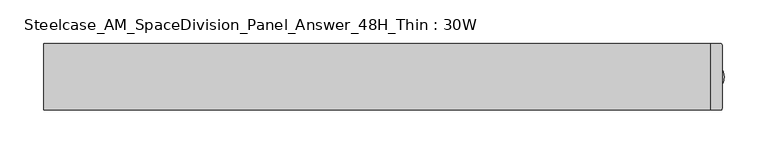
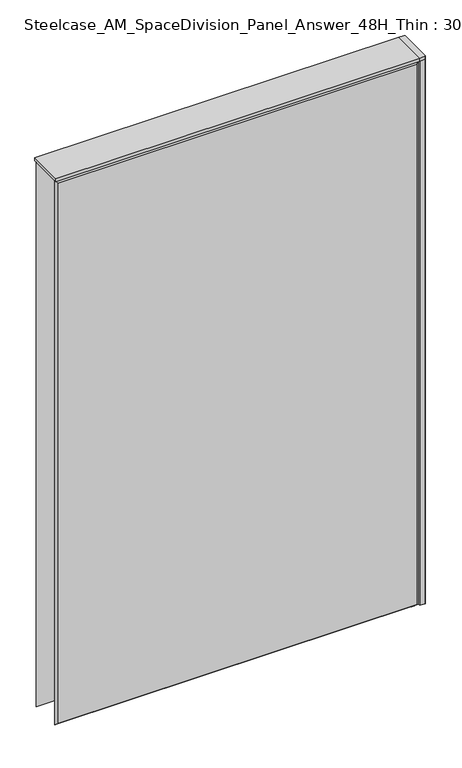
"""IFC4 building model written with IfcOpenShell, lengths in millimetres: furniture geometry, Steelcase_AM_SpaceDivision_Panel_Answer_48H_Thin : 30W."""

from ifc_helpers import new_model, si_unit, point, frame, frame_2d, origin, place, context, project, spatial, polyline, circle_curve, trimmed, segment, composite_curve, outline, extrude, faceted_brep, source, transform, mapped, element, save


def steelcase_am_spacedivision_panel_answer_48h_thin_30w_0fed55f2(model_context):
    return source(origin(), model_context, "Body", "SolidModel", [
        extrude(outline(composite_curve([segment(trimmed(circle_curve(frame_2d((381.0, -1.94e-05)), 5.08), [point((386.08, -1.94e-05))], [point((375.92, -1.94e-05))], False, "CARTESIAN"), True, "CONTINUOUS"), segment(trimmed(circle_curve(frame_2d((381.0, -1.94e-05)), 5.08), [point((375.92, -1.94e-05))], [point((386.08, -1.94e-05))], False, "CARTESIAN"), True, "CONTINUOUS")], self_intersect=False)), frame((0.0, 0.0, 5.0799671), z_axis=(0.0, 0.0, 1.0), x_axis=(1.0, 0.0, 0.0)), (0.0, 0.0, 1.0), 10.414),
        extrude(outline(composite_curve([segment(trimmed(circle_curve(frame_2d((381.0, -1.94e-05)), 15.24), [point((396.24, -1.94e-05))], [point((365.76, -1.94e-05))], False, "CARTESIAN"), True, "CONTINUOUS"), segment(trimmed(circle_curve(frame_2d((381.0, -1.94e-05)), 15.24), [point((365.76, -1.94e-05))], [point((396.24, -1.94e-05))], False, "CARTESIAN"), True, "CONTINUOUS")], self_intersect=False)), frame((0.0, 0.0, -3.29e-05), z_axis=(0.0, 0.0, 1.0), x_axis=(1.0, 0.0, 0.0)), (0.0, 0.0, 1.0), 5.08),
        extrude(outline(composite_curve([segment(polyline([(393.7, 36.322), (393.7, -36.322)]), True, "CONTINUOUS"), segment(trimmed(circle_curve(frame_2d((391.922, -36.322)), 1.778), [point((393.7, -36.322))], [point((391.922, -38.1))], False, "CARTESIAN"), True, "CONTINUOUS"), segment(polyline([(391.922, -38.1), (381.0, -38.1), (381.0, 38.1), (391.922, 38.1)]), True, "CONTINUOUS"), segment(trimmed(circle_curve(frame_2d((391.922, 36.322)), 1.778), [point((391.922, 38.1))], [point((393.7, 36.322))], False, "CARTESIAN"), True, "CONTINUOUS")], self_intersect=False)), frame((0.0, 0.0, 1219.1999671), z_axis=(0.0, 0.0, 1.0), x_axis=(1.0, 0.0, 0.0)), (0.0, 0.0, 1.0), 6.35),
        extrude(outline(composite_curve([segment(polyline([(393.7, 36.322), (393.7, -36.322)]), True, "CONTINUOUS"), segment(trimmed(circle_curve(frame_2d((391.922, -36.322)), 1.778), [point((393.7, -36.322))], [point((391.922, -38.1))], False, "CARTESIAN"), True, "CONTINUOUS"), segment(polyline([(391.922, -38.1), (381.0, -38.1), (381.0, 38.1), (391.922, 38.1)]), True, "CONTINUOUS"), segment(trimmed(circle_curve(frame_2d((391.922, 36.322)), 1.778), [point((391.922, 38.1))], [point((393.7, 36.322))], False, "CARTESIAN"), True, "CONTINUOUS")], self_intersect=False)), frame((0.0, 0.0, 15.4939671), z_axis=(0.0, 0.0, 1.0), x_axis=(1.0, 0.0, 0.0)), (0.0, 0.0, 1.0), 1203.706),
        faceted_brep([(-376.174, 38.0960551, 1214.374), (376.174, 38.0960551, 1214.374), (376.174, 38.0960551, 20.32), (-376.174, 38.0960551, 20.32), (-381.0, 33.2700551, 1219.2), (-381.0, 33.2700551, 15.494), (381.0, 33.2700551, 15.494), (381.0, 33.2700551, 1219.2)], [[[0, 1, 2, 3]], [[4, 5, 6, 7]], [[4, 7, 1, 0]], [[7, 6, 2, 1]], [[6, 5, 3, 2]], [[5, 4, 0, 3]]]),
        faceted_brep([(376.174, -38.0960551, 1214.374), (-376.174, -38.0960551, 1214.374), (-376.174, -38.0960551, 20.32), (376.174, -38.0960551, 20.32), (381.0, -33.2700551, 1219.2), (381.0, -33.2700551, 15.494), (-381.0, -33.2700551, 15.494), (-381.0, -33.2700551, 1219.2)], [[[0, 1, 2, 3]], [[4, 5, 6, 7]], [[4, 7, 1, 0]], [[7, 6, 2, 1]], [[6, 5, 3, 2]], [[5, 4, 0, 3]]]),
        extrude(outline(polyline([(381.0, 38.1000194), (381.0, -38.1000194), (-381.0, -38.1000194), (-381.0, 38.1000194), (381.0, 38.1000194)])), frame((0.0, 0.0, 1219.2), z_axis=(0.0, 0.0, 1.0), x_axis=(1.0, 0.0, 0.0)), (0.0, 0.0, 1.0), 6.35),
    ])


if __name__ == "__main__":
    model = new_model("IFC4")
    model_context = context("Model", 3, world=origin())
    ifc_project = project(units=[si_unit("LENGTHUNIT", "METRE", prefix="MILLI")], contexts=[model_context])
    site = spatial("IfcSite", under=ifc_project)
    building = spatial("IfcBuilding", under=site)
    placement = place(None, origin())
    steelcase_am_spacedivision_panel_answer_48h_thin_30w_shape = steelcase_am_spacedivision_panel_answer_48h_thin_30w_0fed55f2(model_context)
    element("IfcFurniture", 1, ObjectType="Steelcase_AM_SpaceDivision_Panel_Answer_48H_Thin : 30W", at=placement, inside=building, context=model_context, shape_type="MappedRepresentation", body=[
        mapped(steelcase_am_spacedivision_panel_answer_48h_thin_30w_shape, transform((0.0, 0.0, 0.0), x_axis=(1.0, 0.0, 0.0), y_axis=(0.0, 1.0, 0.0), z_axis=(0.0, 0.0, 1.0))),
    ])
    save(model, "model.ifc")
